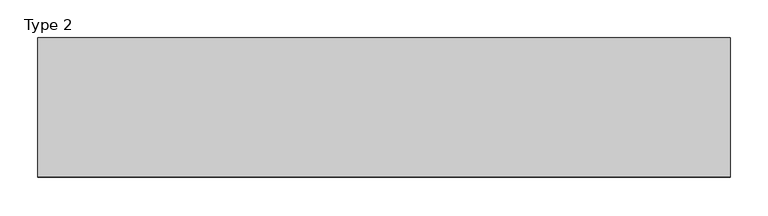
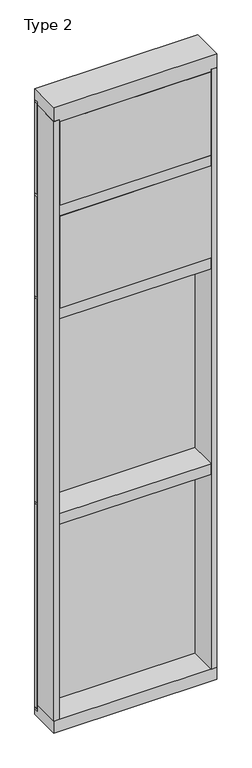
"""IFC4 building model written with IfcOpenShell, lengths in millimetres: plate geometry, Type 2."""

from ifc_helpers import new_model, si_unit, frame, origin, place, context, project, spatial, polyline, outline, extrude, source, transform, mapped, element, save


def type_2_bbf1f4f6(model_context):
    return source(origin(), model_context, "Body", "SweptSolid", [
        extrude(outline(polyline([(457.2, 27.6881517), (457.2, 11.2982336), (444.5010892, 11.2982336), (444.5010892, 27.6881517), (457.2, 27.6881517)])), frame((0.0, 0.0, 1225.55), z_axis=(0.0, 0.0, 1.0), x_axis=(1.0, 0.0, 0.0)), (0.0, 0.0, 1.0), 1206.5),
        extrude(outline(polyline([(-444.5010892, 27.6881517), (-444.5010892, 11.2982336), (-457.2, 11.2982336), (-457.2, 27.6881517), (-444.5010892, 27.6881517)])), frame((0.0, 0.0, 1225.55), z_axis=(0.0, 0.0, 1.0), x_axis=(1.0, 0.0, 0.0)), (0.0, 0.0, 1.0), 1206.5),
        extrude(outline(polyline([(444.5010892, 27.686), (444.5010892, 2.286), (-444.5010892, 2.286), (-444.5010892, 27.686), (444.5010892, 27.686)])), frame((0.0, 0.0, 1225.55), z_axis=(0.0, 0.0, 1.0), x_axis=(1.0, 0.0, 0.0)), (0.0, 0.0, 1.0), 1206.5),
        extrude(outline(polyline([(457.2, 27.686), (457.2, 6.35), (-457.2, 6.35), (-457.2, 27.686), (457.2, 27.686)])), frame((0.0, 0.0, 2432.05), z_axis=(0.0, 0.0, 1.0), x_axis=(1.0, 0.0, 0.0)), (0.0, 0.0, 1.0), 12.7),
        extrude(outline(polyline([(425.4510892, -48.6409999), (425.4510892, -156.32684), (-425.45, -156.32684), (-425.45, -48.6409999), (425.4510892, -48.6409999)])), frame((0.0, 0.0, 2470.15), z_axis=(0.0, 0.0, 1.0), x_axis=(1.0, 0.0, 0.0)), (0.0, 0.0, 1.0), 546.1993556),
        extrude(outline(polyline([(457.2, 27.686), (457.2, 6.35), (-457.2, 6.35), (-457.2, 27.686), (457.2, 27.686)])), frame((0.0, 0.0, 3041.65), z_axis=(0.0, 0.0, 1.0), x_axis=(1.0, 0.0, 0.0)), (0.0, 0.0, 1.0), 12.7),
        extrude(outline(polyline([(457.2, 27.6881517), (457.2, 11.2982336), (444.5010892, 11.2982336), (444.5010892, 27.6881517), (457.2, 27.6881517)])), frame((0.0, 0.0, 2444.75), z_axis=(0.0, 0.0, 1.0), x_axis=(1.0, 0.0, 0.0)), (0.0, 0.0, 1.0), 596.9),
        extrude(outline(polyline([(-444.5010892, 27.6881517), (-444.5010892, 11.2982336), (-457.2, 11.2982336), (-457.2, 27.6881517), (-444.5010892, 27.6881517)])), frame((0.0, 0.0, 2444.75), z_axis=(0.0, 0.0, 1.0), x_axis=(1.0, 0.0, 0.0)), (0.0, 0.0, 1.0), 596.9),
        extrude(outline(polyline([(444.5010892, 27.686), (444.5010892, 2.286), (-444.5010892, 2.286), (-444.5010892, 27.686), (444.5010892, 27.686)])), frame((0.0, 0.0, 2444.75), z_axis=(0.0, 0.0, 1.0), x_axis=(1.0, 0.0, 0.0)), (0.0, 0.0, 1.0), 596.9),
        extrude(outline(polyline([(-457.2, -155.9814), (-457.2, 2.286), (-425.45, 2.286), (-425.45, -155.9814), (-457.2, -155.9814)])), frame((0.0, 0.0, 31.75), z_axis=(0.0, 0.0, 1.0), x_axis=(1.0, 0.0, 0.0)), (0.0, 0.0, 1.0), 3556.0),
        extrude(outline(polyline([(457.2, -155.9814), (425.45, -155.9814), (425.45, 2.286), (457.2, 2.286), (457.2, -155.9814)])), frame((0.0, 0.0, 31.75), z_axis=(0.0, 0.0, 1.0), x_axis=(1.0, 0.0, 0.0)), (0.0, 0.0, 1.0), 3556.0),
        extrude(outline(polyline([(425.4510892, -48.6409999), (425.4510892, -156.32684), (-425.45, -156.32684), (-425.45, -48.6409999), (425.4510892, -48.6409999)])), frame((0.0, 0.0, 3079.75), z_axis=(0.0, 0.0, 1.0), x_axis=(1.0, 0.0, 0.0)), (0.0, 0.0, 1.0), 495.3984372),
        extrude(outline(polyline([(457.2, 27.686), (457.2, 6.35), (-457.2, 6.35), (-457.2, 27.686), (457.2, 27.686)])), frame((0.0, 0.0, 3594.1), z_axis=(0.0, 0.0, 1.0), x_axis=(1.0, 0.0, 0.0)), (0.0, 0.0, 1.0), 12.7),
        extrude(outline(polyline([(457.2, 27.6881517), (457.2, 11.2982336), (444.5010892, 11.2982336), (444.5010892, 27.6881517), (457.2, 27.6881517)])), frame((0.0, 0.0, 3054.35), z_axis=(0.0, 0.0, 1.0), x_axis=(1.0, 0.0, 0.0)), (0.0, 0.0, 1.0), 539.75),
        extrude(outline(polyline([(-444.5010892, 27.6881517), (-444.5010892, 11.2982336), (-457.2, 11.2982336), (-457.2, 27.6881517), (-444.5010892, 27.6881517)])), frame((0.0, 0.0, 3054.35), z_axis=(0.0, 0.0, 1.0), x_axis=(1.0, 0.0, 0.0)), (0.0, 0.0, 1.0), 539.75),
        extrude(outline(polyline([(444.5010892, 27.686), (444.5010892, 2.286), (-444.5010892, 2.286), (-444.5010892, 27.686), (444.5010892, 27.686)])), frame((0.0, 0.0, 3054.35), z_axis=(0.0, 0.0, 1.0), x_axis=(1.0, 0.0, 0.0)), (0.0, 0.0, 1.0), 539.75),
        extrude(outline(polyline([(457.2, 27.6881517), (457.2, 11.2982336), (444.5010892, 11.2982336), (444.5010892, 27.6881517), (457.2, 27.6881517)])), frame((0.0, 0.0, 6.35), z_axis=(0.0, 0.0, 1.0), x_axis=(1.0, 0.0, 0.0)), (0.0, 0.0, 1.0), 1206.5),
        extrude(outline(polyline([(-444.5010892, 27.6881517), (-444.5010892, 11.2982336), (-457.2, 11.2982336), (-457.2, 27.6881517), (-444.5010892, 27.6881517)])), frame((0.0, 0.0, 6.35), z_axis=(0.0, 0.0, 1.0), x_axis=(1.0, 0.0, 0.0)), (0.0, 0.0, 1.0), 1206.5),
        extrude(outline(polyline([(444.5010892, 27.686), (444.5010892, 2.286), (-444.5010892, 2.286), (-444.5010892, 27.686), (444.5010892, 27.686)])), frame((0.0, 0.0, 6.35), z_axis=(0.0, 0.0, 1.0), x_axis=(1.0, 0.0, 0.0)), (0.0, 0.0, 1.0), 1206.5),
        extrude(outline(polyline([(457.2, 27.686), (457.2, 6.35), (-457.2, 6.35), (-457.2, 27.686), (457.2, 27.686)])), frame((0.0, 0.0, 1212.85), z_axis=(0.0, 0.0, 1.0), x_axis=(1.0, 0.0, 0.0)), (0.0, 0.0, 1.0), 12.7),
        extrude(outline(polyline([(-425.45, -155.4734), (-425.45, 2.286), (425.45, 2.286), (425.45, -155.4734), (-425.45, -155.4734)])), frame((0.0, 0.0, 1187.45), z_axis=(0.0, 0.0, 1.0), x_axis=(1.0, 0.0, 0.0)), (0.0, 0.0, 1.0), 63.5),
        extrude(outline(polyline([(-425.45, -155.4734), (-425.45, 2.286), (425.45, 2.286), (425.45, -155.4734), (-425.45, -155.4734)])), frame((0.0, 0.0, 2406.65), z_axis=(0.0, 0.0, 1.0), x_axis=(1.0, 0.0, 0.0)), (0.0, 0.0, 1.0), 63.5),
        extrude(outline(polyline([(-457.2, 5.0946564), (-457.2, 27.6881517), (457.2, 27.6881517), (457.2, 5.0946564), (-457.2, 5.0946564)])), frame((0.0, 0.0, -6.2984797), z_axis=(0.0, 0.0, 1.0), x_axis=(1.0, 0.0, 0.0)), (0.0, 0.0, 1.0), 12.6484797),
        extrude(outline(polyline([(27.686, 3670.3), (27.686, 3606.8000642), (2.286, 3606.8000642), (2.286, 3575.0500939), (-155.4734, 3575.0500939), (-155.4734, 3670.3), (27.686, 3670.3)])), frame((-457.2, 0.0, 0.0), z_axis=(1.0, 0.0, 0.0), x_axis=(0.0, 1.0, 0.0)), (0.0, 0.0, 1.0), 914.4),
        extrude(outline(polyline([(-425.45, -155.4734), (-425.45, 2.2859999), (425.45, 2.2859999), (425.45, -155.4734), (-425.45, -155.4734)])), frame((0.0, 0.0, 3016.25), z_axis=(0.0, 0.0, 1.0), x_axis=(1.0, 0.0, 0.0)), (0.0, 0.0, 1.0), 63.5),
        extrude(outline(polyline([(2.2859999, 31.75), (2.2859999, -6.2983857), (27.6858239, -6.2983857), (27.6858239, -38.1), (-155.6004, -38.1), (-155.6004, 31.75), (2.2859999, 31.75)])), frame((-457.2, 0.0, 0.0), z_axis=(1.0, 0.0, 0.0), x_axis=(0.0, 1.0, 0.0)), (0.0, 0.0, 1.0), 914.4),
    ])


if __name__ == "__main__":
    model = new_model("IFC4")
    model_context = context("Model", 3, world=origin())
    ifc_project = project(units=[si_unit("LENGTHUNIT", "METRE", prefix="MILLI")], contexts=[model_context])
    site = spatial("IfcSite", under=ifc_project)
    building = spatial("IfcBuilding", under=site)
    placement = place(None, origin())
    type_2_shape = type_2_bbf1f4f6(model_context)
    element("IfcPlate", 1, ObjectType="Type 2", at=placement, inside=building, context=model_context, shape_type="MappedRepresentation", body=[
        mapped(type_2_shape, transform((0.0, 0.0, 0.0), x_axis=(1.0, 0.0, 0.0), y_axis=(0.0, 1.0, 0.0), z_axis=(0.0, 0.0, 1.0))),
    ])
    save(model, "model.ifc")
